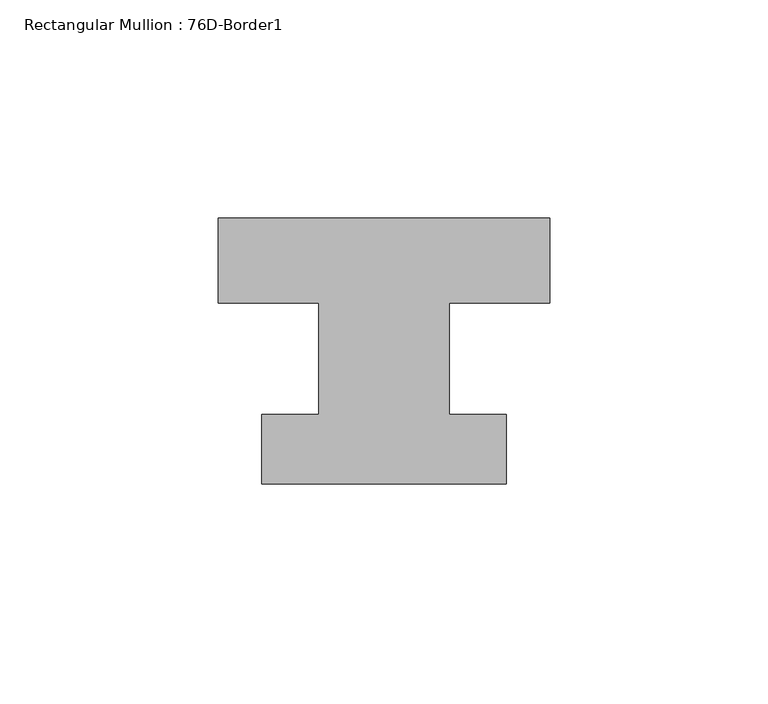
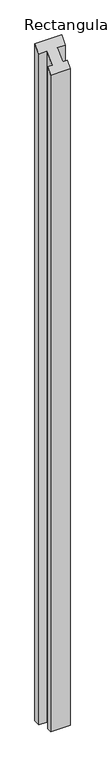
"""IFC4 building model written with IfcOpenShell, lengths in millimetres: member geometry, Rectangular Mullion : 76D-Border1."""

from ifc_helpers import new_model, si_unit, origin, place, context, project, spatial, faceted_brep, source, transform, mapped, element, save


def rectangular_mullion_76d_border1_1e5e5d30(model_context):
    return source(origin(), model_context, "Body", "Brep", [
        faceted_brep([(-76.0, 20.0, -2024.0), (0.0, 20.0, -2024.0), (0.0, 0.5, -2024.0), (-23.0, 0.5, -2024.0), (-23.0, -25.0, -2024.0), (-10.0, -25.0, -2024.0), (-10.0, -41.0, -2024.0), (-66.0, -41.0, -2024.0), (-66.0, -25.0, -2024.0), (-53.0, -25.0, -2024.0), (-53.0, 0.5, -2024.0), (-76.0, 0.5, -2024.0), (-76.0, 0.5, 0.5), (-76.0, 20.0, 20.0), (-53.0, 0.5, 0.5), (-53.0, -25.0, -25.0), (-66.0, -25.0, -25.0), (-66.0, -41.0, -41.0), (-10.0, -41.0, -41.0), (-10.0, -25.0, -25.0), (-23.0, -25.0, -25.0), (-23.0, 0.5, 0.5), (0.0, 0.5, 0.5), (0.0, 20.0, 20.0)], [[[0, 1, 2, 3, 4, 5, 6, 7, 8, 9, 10, 11]], [[12, 13, 0, 11]], [[14, 12, 11, 10]], [[15, 14, 10, 9]], [[16, 15, 9, 8]], [[17, 16, 8, 7]], [[18, 17, 7, 6]], [[19, 18, 6, 5]], [[20, 19, 5, 4]], [[21, 20, 4, 3]], [[22, 21, 3, 2]], [[23, 22, 2, 1]], [[13, 23, 1, 0]], [[13, 12, 14, 15, 16, 17, 18, 19, 20, 21, 22, 23]]]),
    ])


if __name__ == "__main__":
    model = new_model("IFC4")
    model_context = context("Model", 3, world=origin())
    ifc_project = project(units=[si_unit("LENGTHUNIT", "METRE", prefix="MILLI")], contexts=[model_context])
    site = spatial("IfcSite", under=ifc_project)
    building = spatial("IfcBuilding", under=site)
    placement = place(None, origin())
    rectangular_mullion_76d_border1_shape = rectangular_mullion_76d_border1_1e5e5d30(model_context)
    element("IfcMember", 1, ObjectType="Rectangular Mullion : 76D-Border1", at=placement, inside=building, context=model_context, shape_type="MappedRepresentation", body=[
        mapped(rectangular_mullion_76d_border1_shape, transform((0.0, 0.0, 0.0), x_axis=(1.0, 0.0, 0.0), y_axis=(0.0, 1.0, 0.0), z_axis=(0.0, 0.0, 1.0))),
    ])
    save(model, "model.ifc")
